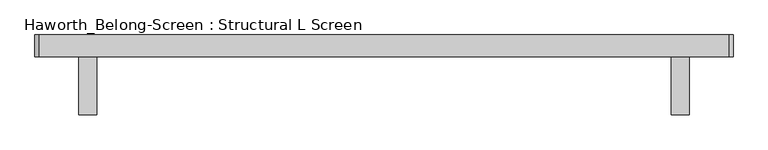
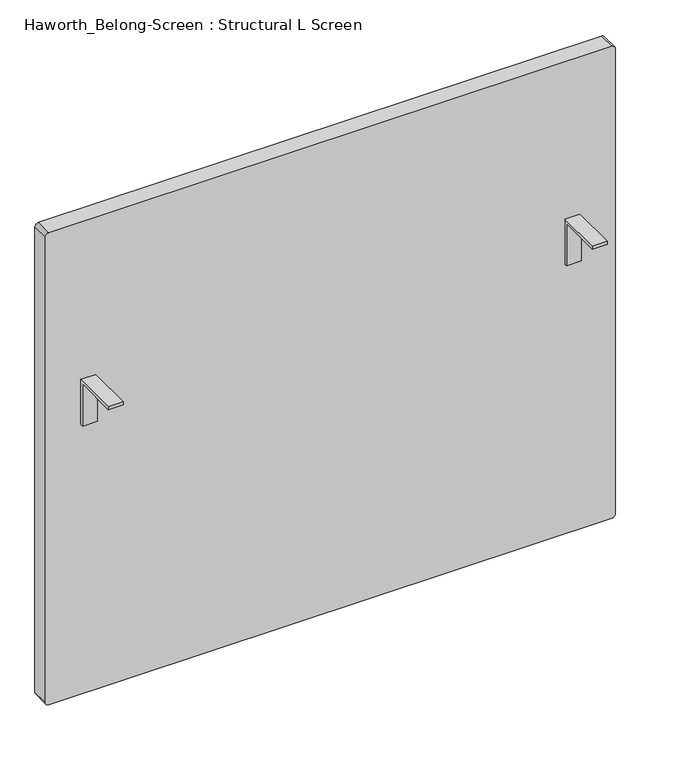
"""IFC4 building model written with IfcOpenShell, lengths in millimetres: furniture geometry, Haworth_Belong-Screen : Structural L Screen."""

from ifc_helpers import new_model, si_unit, point, frame, frame_2d, origin, place, context, project, spatial, polyline, circle_curve, trimmed, segment, composite_curve, outline, extrude, source, transform, mapped, element, save


def haworth_belong_screen_structural_l_screen_dd3c478e(model_context):
    return source(origin(), model_context, "Body", "SweptSolid", [
        extrude(outline(polyline([(-19.05, 731.8375), (-19.05, 630.2375), (-25.4, 630.2375), (-25.4, 725.4875), (-120.65, 725.4875), (-120.65, 731.8375), (-19.05, 731.8375)])), frame((-566.0645436, 0.0, 0.0), z_axis=(1.0, 0.0, 0.0), x_axis=(0.0, 1.0, 0.0)), (0.0, 0.0, 1.0), 31.75),
        extrude(outline(polyline([(-19.05, 731.8375), (-19.05, 630.2375), (-25.4, 630.2375), (-25.4, 725.4875), (-120.65, 725.4875), (-120.65, 731.8375), (-19.05, 731.8375)])), frame((468.9854564, 0.0, 0.0), z_axis=(1.0, 0.0, 0.0), x_axis=(0.0, 1.0, 0.0)), (0.0, 0.0, 1.0), 31.75),
        extrude(outline(composite_curve([segment(polyline([(1087.4375, 568.9979564), (1087.4375, -634.3270436)]), True, "CONTINUOUS"), segment(trimmed(circle_curve(frame_2d((1079.5, -634.3270436)), 7.9375), [point((1087.4375, -634.3270436))], [point((1079.5, -642.2645436))], False, "CARTESIAN"), True, "CONTINUOUS"), segment(polyline([(1079.5, -642.2645436), (28.575, -642.2645436)]), True, "CONTINUOUS"), segment(trimmed(circle_curve(frame_2d((28.575, -634.3270436)), 7.9375), [point((28.575, -642.2645436))], [point((20.6375, -634.3270436))], False, "CARTESIAN"), True, "CONTINUOUS"), segment(polyline([(20.6375, -634.3270436), (20.6375, 568.9979564)]), True, "CONTINUOUS"), segment(trimmed(circle_curve(frame_2d((28.575, 568.9979564)), 7.9375), [point((20.6375, 568.9979564))], [point((28.575, 576.9354564))], False, "CARTESIAN"), True, "CONTINUOUS"), segment(polyline([(28.575, 576.9354564), (1079.5, 576.9354564)]), True, "CONTINUOUS"), segment(trimmed(circle_curve(frame_2d((1079.5, 568.9979564)), 7.9375), [point((1079.5, 576.9354564))], [point((1087.4375, 568.9979564))], False, "CARTESIAN"), True, "CONTINUOUS")], self_intersect=False)), frame((0.0, -19.05, 0.0), z_axis=(0.0, 1.0, 0.0), x_axis=(0.0, 0.0, 1.0)), (0.0, 0.0, 1.0), 38.1),
    ])


if __name__ == "__main__":
    model = new_model("IFC4")
    model_context = context("Model", 3, world=origin())
    ifc_project = project(units=[si_unit("LENGTHUNIT", "METRE", prefix="MILLI")], contexts=[model_context])
    site = spatial("IfcSite", under=ifc_project)
    building = spatial("IfcBuilding", under=site)
    placement = place(None, origin())
    haworth_belong_screen_structural_l_screen_shape = haworth_belong_screen_structural_l_screen_dd3c478e(model_context)
    element("IfcFurniture", 1, ObjectType="Haworth_Belong-Screen : Structural L Screen", at=placement, inside=building, context=model_context, shape_type="MappedRepresentation", body=[
        mapped(haworth_belong_screen_structural_l_screen_shape, transform((0.0, 0.0, 0.0), x_axis=(1.0, 0.0, 0.0), y_axis=(0.0, 1.0, 0.0), z_axis=(0.0, 0.0, 1.0))),
    ])
    save(model, "model.ifc")
